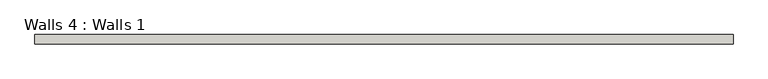
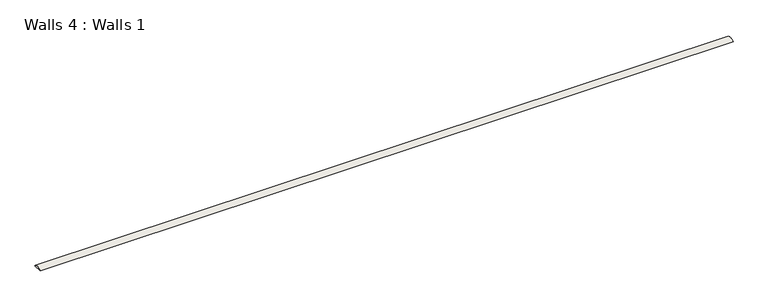
"""IFC4 building model written with IfcOpenShell, lengths in millimetres: wall geometry, Walls 4 : Walls 1."""

from ifc_helpers import new_model, si_unit, point, frame, frame_2d, origin, place, context, project, spatial, polyline, circle_curve, trimmed, segment, composite_curve, outline, extrude, source, transform, mapped, element, save


def walls_4_walls_1_b90e1f37(model_context):
    return source(origin(), model_context, "Body", "SweptSolid", [
        extrude(outline(composite_curve([segment(polyline([(4840.1656547, 457.2), (4810.3411371, 457.2)]), True, "CONTINUOUS"), segment(trimmed(circle_curve(frame_2d((4825.2533959, 440.9522102)), 22.0537103), [point((4810.3411371, 457.2))], [point((4840.1656547, 457.2))], False, "CARTESIAN"), True, "CONTINUOUS")], self_intersect=False)), frame((-2955.2207489, 0.0, 0.0), z_axis=(1.0, 0.0, 0.0), x_axis=(0.0, 1.0, 0.0)), (0.0, 0.0, 1.0), 2260.6),
    ])


if __name__ == "__main__":
    model = new_model("IFC4")
    model_context = context("Model", 3, world=origin())
    ifc_project = project(units=[si_unit("LENGTHUNIT", "METRE", prefix="MILLI")], contexts=[model_context])
    site = spatial("IfcSite", under=ifc_project)
    building = spatial("IfcBuilding", under=site)
    placement = place(None, origin())
    walls_4_walls_1_shape = walls_4_walls_1_b90e1f37(model_context)
    element("IfcWall", 1, ObjectType="Walls 4 : Walls 1", at=placement, inside=building, context=model_context, shape_type="MappedRepresentation", body=[
        mapped(walls_4_walls_1_shape, transform((0.0, 0.0, 0.0), x_axis=(1.0, 0.0, 0.0), y_axis=(0.0, 1.0, 0.0), z_axis=(0.0, 0.0, 1.0))),
    ])
    save(model, "model.ifc")
